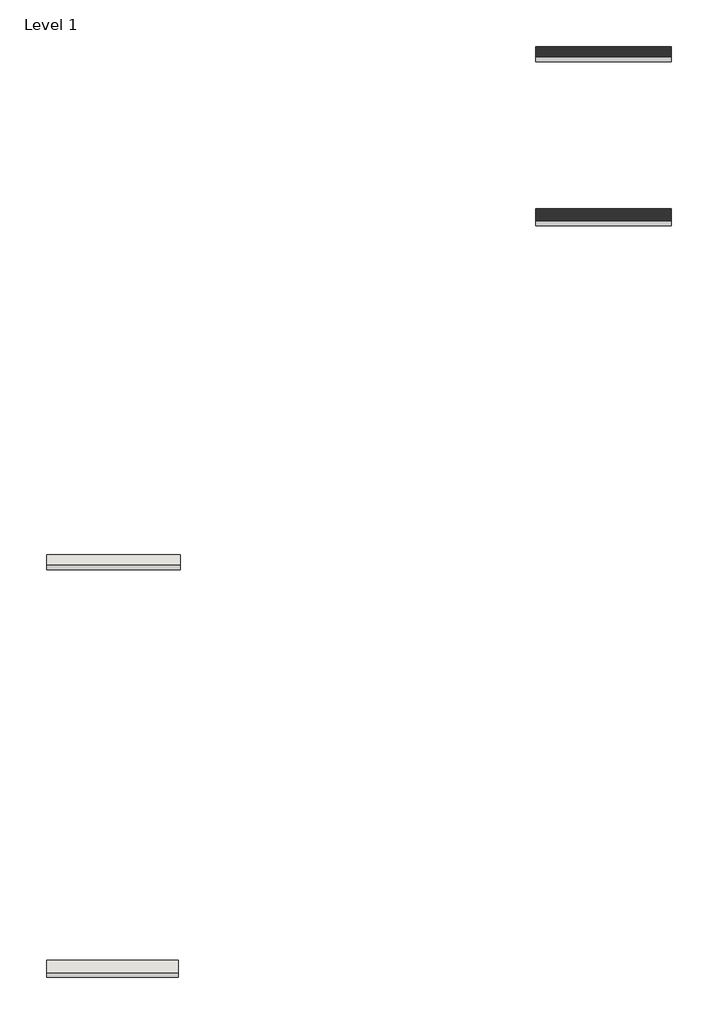
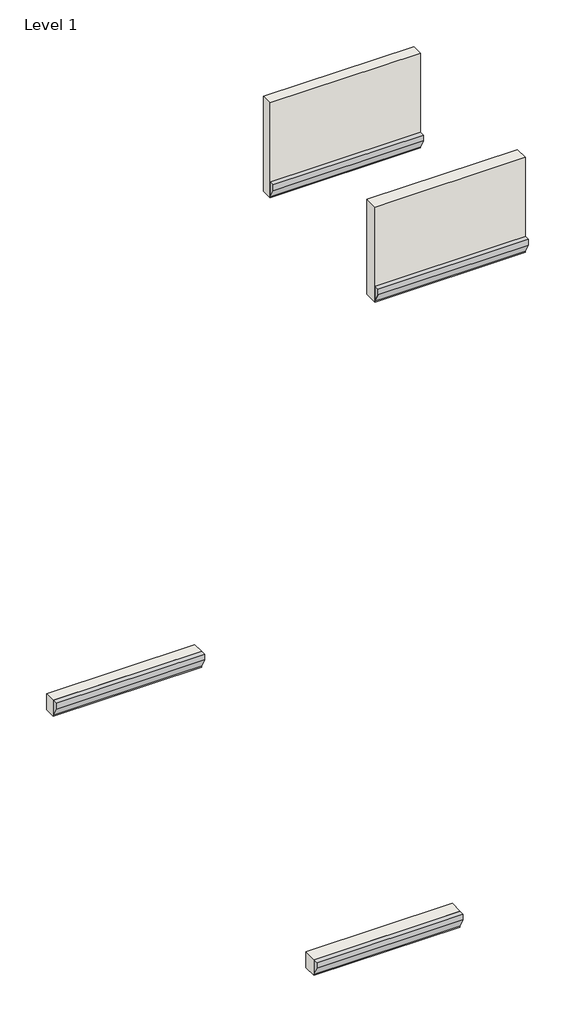
# One storey: 4 proxies, 4 walls.
"""IFC4 building model written with IfcOpenShell, lengths in millimetres."""

from ifc_helpers import new_model, si_unit, frame, origin, place, context, project, spatial, polyline, outline, extrude, faceted_brep, element, save

model = new_model("IFC4")

# Units and contexts
model_context = context("Model", 3, world=origin())
ifc_project = project(units=[si_unit("LENGTHUNIT", "METRE", prefix="MILLI")], contexts=[model_context])

# Site, building, storey
site = spatial("IfcSite", under=ifc_project)
building = spatial("IfcBuilding", under=site)
storey = spatial("IfcBuildingStorey", under=building, Name="Level 1", Elevation=0.0)

# Proxies
placement = place(None, origin())
element("IfcBuildingElementProxy", 1, Name="Wall Sweeps", at=placement, inside=storey, context=model_context, shape_type="SweptSolid", body=[
    extrude(outline(polyline([(-25260.2231861, 0.0), (-25260.2231861, -381.0), (-25387.2231861, -146.05), (-25387.2231861, 0.0), (-25260.2231861, 0.0)])), frame((-25952.9323816, 0.0, 0.0), z_axis=(1.0, 0.0, 0.0), x_axis=(0.0, 1.0, 0.0)), (0.0, 0.0, 1.0), 3556.0),
])
element("IfcBuildingElementProxy", 2, Name="Wall Sweeps", at=placement, inside=storey, context=model_context, shape_type="SweptSolid", body=[
    extrude(outline(polyline([(-14267.9926498, 0.0), (-14267.9926498, -381.0), (-14394.9926498, -146.05), (-14394.9926498, 0.0), (-14267.9926498, 0.0)])), frame((-25952.9323816, 0.0, 0.0), z_axis=(1.0, 0.0, 0.0), x_axis=(0.0, 1.0, 0.0)), (0.0, 0.0, 1.0), 3606.8),
])
element("IfcBuildingElementProxy", 3, Name="Wall Sweeps", at=placement, inside=storey, context=model_context, shape_type="SweptSolid", body=[
    extrude(outline(polyline([(-577.3926498, 406.4), (-577.3926498, 25.4), (-704.3926498, 260.35), (-704.3926498, 406.4), (-577.3926498, 406.4)])), frame((-12768.6820506, 0.0, 0.0), z_axis=(1.0, 0.0, 0.0), x_axis=(0.0, 1.0, 0.0)), (0.0, 0.0, 1.0), 3657.6),
])
element("IfcBuildingElementProxy", 4, Name="Wall Sweeps", at=placement, inside=storey, context=model_context, shape_type="SweptSolid", body=[
    extrude(outline(polyline([(-4996.9926498, 406.4), (-4996.9926498, 25.4), (-5123.9926498, 260.35), (-5123.9926498, 406.4), (-4996.9926498, 406.4)])), frame((-12768.6820506, 0.0, 0.0), z_axis=(1.0, 0.0, 0.0), x_axis=(0.0, 1.0, 0.0)), (0.0, 0.0, 1.0), 3657.6),
])

# Walls
element("IfcWall", 5, ObjectType="BB-6BL 6\" Brick Ledge Wall Base", at=placement, inside=storey, context=model_context, shape_type="Brep", body=[
    faceted_brep([(-12768.6820506, -577.3926498, 0.0), (-9111.0820506, -577.3926498, 0.0), (-9111.0820506, -577.3926498, 25.4), (-9111.0820506, -577.3926498, 406.4), (-9111.0820506, -577.3926498, 2438.4), (-12768.6820506, -577.3926498, 2438.4), (-12768.6820506, -577.3926498, 406.4), (-12768.6820506, -577.3926498, 25.4), (-12768.6820506, -297.9926498, 0.0), (-12768.6820506, -297.9926498, 2438.4), (-9111.0820506, -297.9926498, 2438.4), (-9111.0820506, -297.9926498, 0.0)], [[[0, 1, 2, 3, 4, 5, 6, 7]], [[8, 9, 10, 11]], [[1, 0, 8, 11]], [[4, 3, 2, 1, 11, 10]], [[5, 4, 10, 9]], [[0, 7, 6, 5, 9, 8]]]),
])
element("IfcWall", 6, ObjectType="BB-6BL 6\" Brick Ledge Wall Base", at=placement, inside=storey, context=model_context, shape_type="Brep", body=[
    faceted_brep([(-25952.9323816, -14267.9926498, -406.4), (-22346.1323816, -14267.9926498, -406.4), (-22346.1323816, -14267.9926498, -381.0), (-22346.1323816, -14267.9926498, 0.0), (-25952.9323816, -14267.9926498, 0.0), (-25952.9323816, -14267.9926498, -381.0), (-25952.9323816, -13988.5926498, -406.4), (-25952.9323816, -13988.5926498, 0.0), (-22346.1323816, -13988.5926498, 0.0), (-22346.1323816, -13988.5926498, -406.4)], [[[0, 1, 2, 3, 4, 5]], [[6, 7, 8, 9]], [[1, 0, 6, 9]], [[3, 2, 1, 9, 8]], [[4, 3, 8, 7]], [[0, 5, 4, 7, 6]]]),
])
element("IfcWall", 7, ObjectType="BB-8BL 8\" Brick Ledge Wall Base", at=placement, inside=storey, context=model_context, shape_type="Brep", body=[
    faceted_brep([(-25952.9323816, -25260.2231861, -406.4), (-22396.9323816, -25260.2231861, -406.4), (-22396.9323816, -25260.2231861, -381.0), (-22396.9323816, -25260.2231861, 0.0), (-25952.9323816, -25260.2231861, 0.0), (-25952.9323816, -25260.2231861, -381.0), (-25952.9323816, -24930.0231861, -406.4), (-25952.9323816, -24930.0231861, 0.0), (-22396.9323816, -24930.0231861, 0.0), (-22396.9323816, -24930.0231861, -406.4)], [[[0, 1, 2, 3, 4, 5]], [[6, 7, 8, 9]], [[1, 0, 6, 9]], [[3, 2, 1, 9, 8]], [[4, 3, 8, 7]], [[0, 5, 4, 7, 6]]]),
])
element("IfcWall", 8, ObjectType="BB-8BL 8\" Brick Ledge Wall Base", at=placement, inside=storey, context=model_context, shape_type="Brep", body=[
    faceted_brep([(-12768.6820506, -4996.9926498, 0.0), (-9111.0820506, -4996.9926498, 0.0), (-9111.0820506, -4996.9926498, 25.4), (-9111.0820506, -4996.9926498, 406.4), (-9111.0820506, -4996.9926498, 2438.4), (-12768.6820506, -4996.9926498, 2438.4), (-12768.6820506, -4996.9926498, 406.4), (-12768.6820506, -4996.9926498, 25.4), (-12768.6820506, -4666.7926498, 0.0), (-12768.6820506, -4666.7926498, 2438.4), (-9111.0820506, -4666.7926498, 2438.4), (-9111.0820506, -4666.7926498, 0.0)], [[[0, 1, 2, 3, 4, 5, 6, 7]], [[8, 9, 10, 11]], [[1, 0, 8, 11]], [[4, 3, 2, 1, 11, 10]], [[5, 4, 10, 9]], [[0, 7, 6, 5, 9, 8]]]),
])

save(model, "model.ifc")
